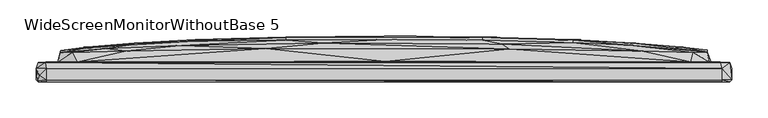
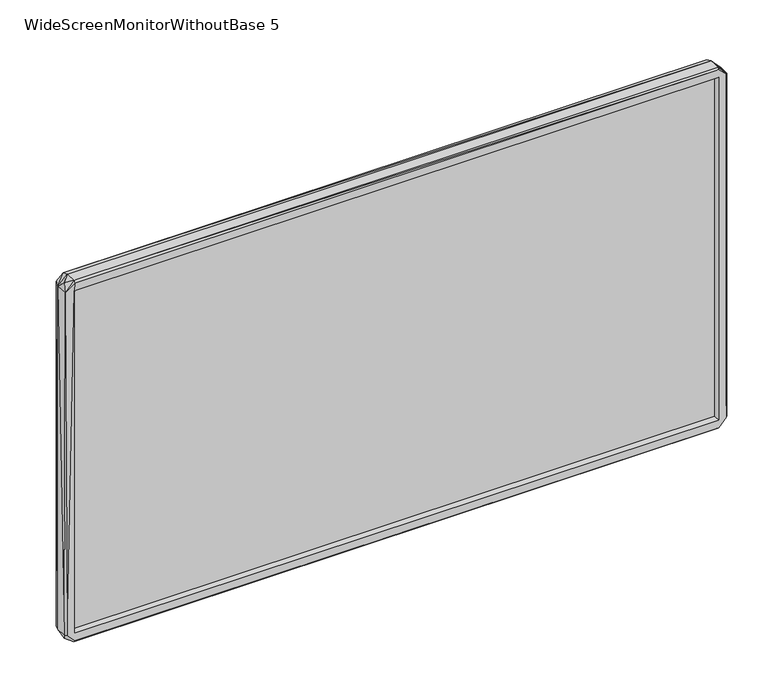
"""IFC4 building model written with IfcOpenShell, lengths in millimetres: furniture geometry, WideScreenMonitorWithoutBase 5."""

from ifc_helpers import new_model, si_unit, origin, place, context, project, spatial, triangles, source, transform, mapped, element, save


def widescreenmonitorwithoutbase_5_fe2fe872(model_context):
    return source(origin(), model_context, "Body", "Tessellation", [
        triangles([(463.328514, 4.1466324, 17.5512111), (463.3285503, 4.146631, 535.40075), (463.328514, 1.8466323, 17.5512111), (463.3285503, 1.8466308, 535.40075), (-463.2795344, 1.8466998, 535.40075), (-463.2795344, 4.1466997, 535.40075), (-463.2795708, 4.1467011, 17.5512418), (-463.2795708, 1.8467012, 17.5512418)], [[1, 2, 3], [3, 2, 4], [5, 4, 2], [5, 2, 6], [7, 1, 3], [7, 3, 8], [7, 6, 1], [7, 8, 5], [7, 5, 6], [8, 3, 4], [8, 4, 5], [1, 6, 2]]),
        triangles([(-479.8059966, 14.5200349, 14.441038), (-479.8059966, -1.2799641, 14.441038), (-479.7060027, 14.5200337, 538.7084332), (-476.9059919, 22.9200331, 13.6410381), (-476.1060044, 5.2200353, 4.5410379), (-477.0059858, 22.9200309, 540.3084083), (-477.1060161, -4.0799639, 14.2410389), (-478.6059972, -2.4799654, 538.7084332), (-466.3059849, -4.0799645, 14.2410378), (-466.3059849, -4.0799659, 538.7084332), (-466.0060032, -4.0799645, 2.6410378), (-466.0060032, -1.2799652, 0.0410379), (-449.8060109, 23.4200321, 48.4410385), (-418.9998244, 23.5200306, 25.7410342), (-468.7060201, 22.9200331, 3.3410379), (-466.0060032, 14.5200337, 0.0410379), (463.8051928, 22.9199627, 2.7410096), (466.2051916, -4.0800343, 2.7410093), (466.3051855, -4.0800343, 14.2410105), (-463.3060226, 1.8200343, 17.5410373), (463.3052233, 1.8199652, 17.5410078), (466.2051916, -1.2800345, 0.0410096), (466.2051916, 14.5199656, 0.0410096), (-463.3060226, 7.8200328, 17.5410373), (-463.3059863, 7.8200305, 535.408453), (-463.3059863, 1.8200329, 535.408453), (463.3052233, 7.8199635, 17.5410078), (-11.5503953, 7.92, 272.5247353), (-449.8059746, 23.4200299, 504.5084496), (-445.8060007, 36.9856126, 70.7977771), (-428.3998321, 36.1856115, 33.9410378), (-445.9060309, 39.1856123, 386.238234), (422.1990114, 23.519967, 25.7410092), (-395.6998295, 37.1856095, 29.5410361), (3.0495973, 42.1855791, 29.5410225), (330.3928419, 38.9855519, 29.5410134), (427.6990391, 36.1855434, 33.4410116), (448.4052243, 23.419964, 45.2410067), (476.9051926, 22.9199627, 14.9410098), (445.8052013, 37.0855452, 73.2977471), (450.5052052, 23.9199653, 245.6679626), (463.3052233, 7.8199618, 535.408453), (463.3052233, 1.8199638, 535.408453), (475.805187, 4.6199644, 4.0410091), (479.8051972, -1.2800356, 14.2410094), (477.2051743, -4.0800349, 14.5410081), (466.3052218, -4.0800358, 538.7084332), (479.8051972, 14.5199645, 14.341009), (477.1052167, 22.9199605, 539.5083844), (479.8052336, 14.5199622, 538.4084152), (479.6052458, -1.280037, 539.0084513), (477.0052228, -4.0800363, 540.6083899), (-337.5936015, 47.1856055, 128.654529), (-275.5812711, 40.1856013, 29.5410316), (-160.8689053, 48.4855943, 75.9977685), (-260.4812662, 50.5855978, 128.554526), (82.9619419, 49.2855727, 75.997764), (281.9866759, 46.2855605, 80.4977573), (354.3928668, 46.185553, 127.6544901), (410.0990232, 42.6855486, 144.8544849), (-445.9060309, 39.5856106, 186.1112599), (-410.0998226, 44.3856083, 247.8680099), (-342.5936234, 49.3856075, 203.3680009), (-135.2689145, 53.5855873, 129.3545044), (0.0496028, 54.4855778, 128.7544956), (135.2681696, 53.4855662, 127.5545053), (260.480485, 52.5855575, 176.4112342), (445.9051952, 39.4855441, 176.8112098), (445.9051952, 39.6855455, 351.1814713), (445.8052013, 36.9855468, 481.851693), (-260.4812662, 53.5855964, 203.3680009), (-135.2689145, 57.0855871, 203.3679827), (0.0496053, 58.185579, 203.3679827), (135.2681696, 57.0855644, 203.3679827), (344.9928592, 49.1855515, 203.3679646), (410.0990232, 44.3855493, 304.1814876), (260.480485, 54.4855596, 276.3247577), (343.7928597, 49.9855481, 276.3247577), (448.7052423, 23.419964, 506.7084606), (-343.7936228, 49.9856026, 276.3247577), (-344.9936222, 49.1856061, 349.1814843), (-410.0998226, 42.6856076, 406.4949918), (-260.4812662, 54.485596, 276.3247577), (-135.2688963, 58.0855897, 276.3247577), (0.0496076, 59.2855755, 276.3247577), (135.2681787, 58.085567, 276.3247577), (-260.4812662, 52.5855938, 376.2382267), (-135.2688963, 57.0855871, 349.1814843), (0.0496097, 58.185579, 349.1814843), (135.2681787, 57.0855644, 349.1814843), (260.480485, 53.58556, 349.1814843), (342.592824, 49.385553, 349.1814843), (-350.8936255, 46.7856027, 417.3949805), (-135.2688963, 53.4855889, 424.9949527), (0.0496117, 54.4855778, 423.8949835), (135.2681787, 53.5855646, 423.2949474), (260.480485, 50.5855615, 424.0949713), (337.5928385, 47.1855555, 423.8949835), (-445.7059705, 36.5856143, 491.5516823), (-280.8874516, 46.2856014, 472.5517156), (-383.6998352, 41.885611, 473.6516848), (-83.362735, 49.2855863, 476.6516833), (162.3681779, 48.3855686, 476.6516833), (355.8928843, 38.4855551, 523.2084346), (426.6990274, 36.1855434, 519.3084546), (-430.2059718, 36.1856115, 517.608413), (-356.2935865, 38.4856051, 523.2084346), (-163.268886, 41.6855869, 523.2084346), (172.768179, 41.5855703, 523.2084346), (-475.8059501, 4.6200339, 548.9084284), (-466.3059849, 14.5200326, 552.8084084), (-467.2059663, 22.9200309, 550.0084339), (-466.1059608, -1.2799666, 552.9084386), (-466.1059608, -4.0799659, 550.2083854), (-422.9997983, 23.5200283, 526.9083904), (1.8496114, 24.3199976, 527.5084265), (464.205241, 22.9199605, 550.2083854), (466.2052279, 14.5199633, 552.8084084), (466.0052402, -4.0800358, 550.3084156), (466.1052341, -1.280036, 552.9084386), (422.8990414, 23.5199647, 527.1084146)], [[1, 2, 3], [1, 4, 5], [1, 5, 2], [1, 3, 6], [1, 6, 4], [2, 7, 8], [2, 5, 7], [2, 8, 3], [7, 9, 10], [7, 11, 9], [7, 5, 12], [7, 12, 11], [7, 10, 8], [4, 13, 14], [4, 14, 15], [4, 6, 13], [4, 15, 5], [5, 15, 16], [5, 16, 12], [15, 14, 17], [15, 17, 16], [9, 11, 18], [9, 18, 19], [9, 20, 10], [9, 21, 20], [9, 19, 21], [11, 12, 22], [11, 22, 18], [12, 16, 23], [12, 23, 22], [16, 17, 23], [20, 21, 24], [20, 24, 25], [20, 26, 10], [20, 25, 26], [24, 21, 27], [24, 27, 28], [24, 28, 25], [13, 6, 29], [13, 30, 31], [13, 32, 30], [13, 29, 32], [13, 31, 14], [14, 33, 17], [14, 31, 34], [14, 34, 35], [14, 35, 33], [33, 35, 36], [33, 36, 37], [33, 37, 38], [33, 38, 39], [33, 39, 17], [38, 40, 41], [38, 37, 40], [38, 41, 39], [27, 21, 42], [27, 42, 28], [21, 19, 43], [21, 43, 42], [17, 39, 23], [23, 39, 44], [23, 44, 22], [22, 44, 45], [22, 45, 18], [18, 46, 19], [18, 45, 46], [19, 47, 43], [19, 46, 47], [44, 39, 48], [44, 48, 45], [39, 41, 49], [39, 49, 50], [39, 50, 48], [46, 51, 52], [46, 52, 47], [46, 45, 51], [45, 48, 50], [45, 50, 51], [31, 30, 53], [31, 53, 34], [34, 54, 35], [34, 55, 54], [34, 53, 56], [34, 56, 55], [54, 55, 35], [35, 55, 57], [35, 57, 36], [36, 57, 58], [36, 58, 37], [37, 58, 59], [37, 59, 60], [37, 60, 40], [30, 61, 62], [30, 62, 63], [30, 63, 53], [30, 32, 61], [55, 56, 64], [55, 64, 65], [55, 65, 57], [57, 65, 66], [57, 66, 58], [58, 66, 67], [58, 67, 59], [40, 68, 69], [40, 69, 70], [40, 60, 68], [40, 70, 41], [53, 63, 71], [53, 71, 56], [56, 71, 72], [56, 72, 64], [64, 72, 73], [64, 73, 65], [65, 73, 74], [65, 74, 66], [66, 74, 67], [59, 67, 75], [59, 75, 60], [60, 75, 76], [60, 76, 68], [61, 32, 62], [67, 74, 77], [67, 77, 78], [67, 78, 75], [68, 76, 69], [41, 70, 79], [41, 79, 49], [62, 80, 63], [62, 81, 80], [62, 32, 82], [62, 82, 81], [63, 80, 83], [63, 83, 71], [71, 83, 84], [71, 84, 72], [72, 84, 85], [72, 85, 73], [73, 85, 86], [73, 86, 74], [74, 86, 77], [75, 78, 76], [28, 42, 25], [80, 81, 87], [80, 87, 83], [83, 88, 84], [83, 87, 88], [84, 88, 89], [84, 89, 85], [85, 89, 90], [85, 90, 86], [86, 90, 91], [86, 91, 77], [77, 91, 92], [77, 92, 78], [78, 92, 76], [81, 82, 93], [81, 93, 87], [88, 87, 94], [88, 94, 95], [88, 95, 89], [89, 95, 96], [89, 96, 90], [90, 96, 97], [90, 97, 91], [91, 97, 98], [91, 98, 92], [92, 98, 70], [92, 70, 76], [76, 70, 69], [32, 29, 99], [32, 99, 82], [87, 93, 100], [87, 100, 94], [82, 99, 101], [82, 101, 93], [93, 101, 100], [94, 100, 102], [94, 102, 95], [95, 102, 103], [95, 103, 96], [96, 103, 97], [97, 103, 104], [97, 104, 98], [98, 104, 105], [98, 105, 70], [99, 29, 106], [99, 106, 101], [101, 106, 107], [101, 107, 100], [100, 107, 108], [100, 108, 102], [102, 108, 109], [102, 109, 103], [103, 109, 104], [70, 105, 79], [3, 110, 111], [3, 111, 112], [3, 112, 6], [3, 8, 110], [8, 113, 110], [8, 114, 113], [8, 10, 114], [6, 112, 115], [6, 115, 29], [110, 113, 111], [112, 116, 115], [112, 117, 116], [112, 111, 118], [112, 118, 117], [10, 26, 47], [10, 119, 114], [10, 47, 119], [111, 113, 118], [113, 120, 118], [113, 114, 119], [113, 119, 120], [26, 25, 43], [26, 43, 47], [25, 42, 43], [29, 115, 106], [115, 116, 108], [115, 107, 106], [115, 108, 107], [116, 117, 121], [116, 121, 109], [116, 109, 108], [121, 79, 105], [121, 104, 109], [121, 105, 104], [121, 117, 49], [121, 49, 79], [117, 118, 49], [119, 52, 120], [119, 47, 52], [120, 52, 51], [120, 51, 118], [118, 51, 49], [49, 51, 50]]),
    ])


if __name__ == "__main__":
    model = new_model("IFC4")
    model_context = context("Model", 3, world=origin())
    ifc_project = project(units=[si_unit("LENGTHUNIT", "METRE", prefix="MILLI")], contexts=[model_context])
    site = spatial("IfcSite", under=ifc_project)
    building = spatial("IfcBuilding", under=site)
    placement = place(None, origin())
    widescreenmonitorwithoutbase_5_shape = widescreenmonitorwithoutbase_5_fe2fe872(model_context)
    element("IfcFurniture", 1, ObjectType="WideScreenMonitorWithoutBase 5", at=placement, inside=building, context=model_context, shape_type="MappedRepresentation", body=[
        mapped(widescreenmonitorwithoutbase_5_shape, transform((0.0, 0.0, 0.0), x_axis=(1.0, 0.0, 0.0), y_axis=(0.0, 1.0, 0.0), z_axis=(0.0, 0.0, 1.0))),
    ])
    save(model, "model.ifc")
